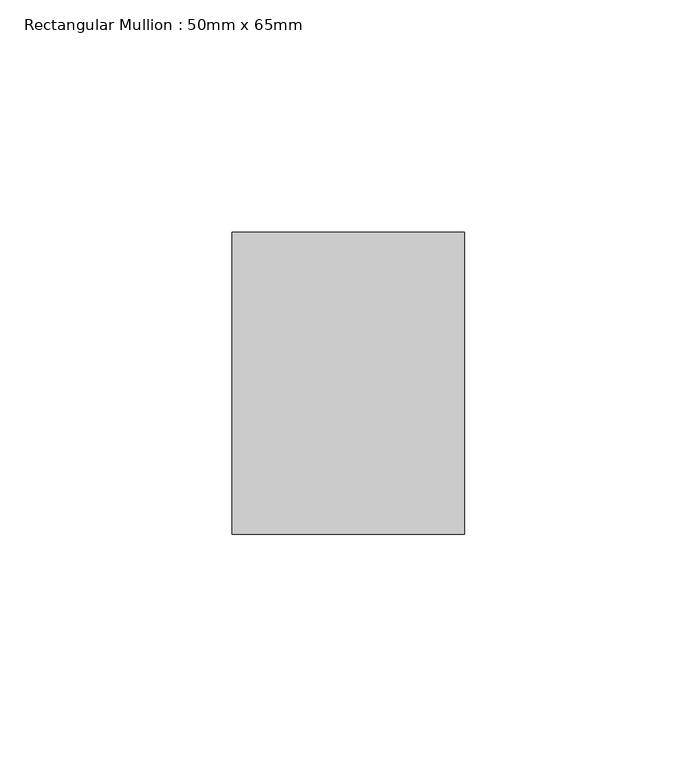
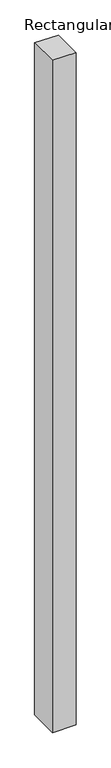
"""IFC4 building model written with IfcOpenShell, lengths in millimetres: member geometry, Rectangular Mullion : 50mm x 65mm."""

from ifc_helpers import new_model, si_unit, origin, place, context, project, spatial, faceted_brep, source, transform, mapped, element, save


def rectangular_mullion_50mm_x_65mm_42bd62c7(model_context):
    return source(origin(), model_context, "Body", "Brep", [
        faceted_brep([(-25.0, 32.5, -0.1835728), (25.0, 32.5, -0.1835715), (25.0, 32.5, -1499.7335102), (-25.0, 32.5, -1499.7335083), (-25.0, -32.5, 0.1835715), (-25.0, -32.5, -1500.2664039), (25.0, -32.5, 0.1835728), (25.0, -32.5, -1500.2664058)], [[[0, 1, 2, 3]], [[4, 0, 3, 5]], [[6, 4, 5, 7]], [[1, 6, 7, 2]], [[1, 0, 4, 6]], [[2, 7, 5, 3]]]),
    ])


if __name__ == "__main__":
    model = new_model("IFC4")
    model_context = context("Model", 3, world=origin())
    ifc_project = project(units=[si_unit("LENGTHUNIT", "METRE", prefix="MILLI")], contexts=[model_context])
    site = spatial("IfcSite", under=ifc_project)
    building = spatial("IfcBuilding", under=site)
    placement = place(None, origin())
    rectangular_mullion_50mm_x_65mm_shape = rectangular_mullion_50mm_x_65mm_42bd62c7(model_context)
    element("IfcMember", 1, ObjectType="Rectangular Mullion : 50mm x 65mm", at=placement, inside=building, context=model_context, shape_type="MappedRepresentation", body=[
        mapped(rectangular_mullion_50mm_x_65mm_shape, transform((0.0, 0.0, 0.0), x_axis=(1.0, 0.0, 0.0), y_axis=(0.0, 1.0, 0.0), z_axis=(0.0, 0.0, 1.0))),
    ])
    save(model, "model.ifc")
